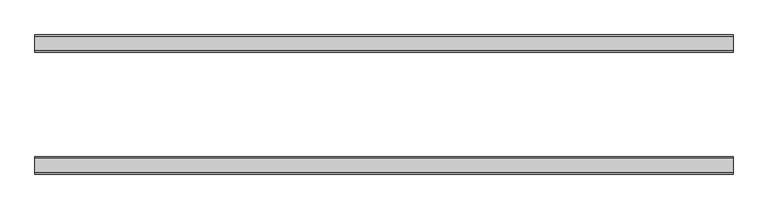
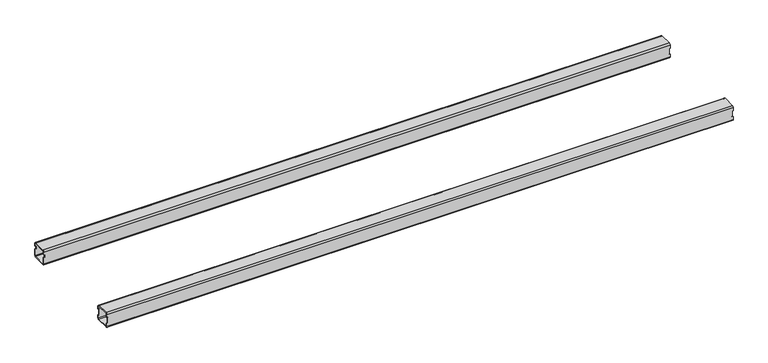
"""IFC4 building model written with IfcOpenShell, lengths in millimetres: furniture geometry."""

import ifcopenshell
import ifcopenshell.guid

model = None  # the IFC model being written
_history = None  # IfcOwnerHistory: only IFC2X3 demands one
_inside = {}  # id of a spatial element -> (the spatial element, [elements in it])
_under = {}  # id of a project, library or spatial element -> (it, [spatial elements below it])
_declared = {}  # id of a project -> (the project, [libraries it declares])
_typed = {}  # id of a type object -> (the type object, [elements of that type])
_made_of = {}  # id of a material, layer set ... -> (it, [elements and type objects made of it])


def new_model(schema):
    """Start an empty IFC model of exactly this schema.

    Asked for "IFC4X3", IfcOpenShell would pick the latest addendum, in which some entities
    have other attributes; the version numbers below select the first issue.
    IFC2X3 requires an IfcOwnerHistory on every rooted entity: one is made here for all.
    """
    global model, _history
    if schema == "IFC4X3":
        model = ifcopenshell.file(schema_version=(4, 3, 0, 0))
    else:
        model = ifcopenshell.file(schema=schema)
    _inside.clear()
    _under.clear()
    _declared.clear()
    _typed.clear()
    _made_of.clear()
    _history = None
    if model.schema == "IFC2X3":
        org = make("IfcOrganization", Name="unknown")
        user = make(
            "IfcPersonAndOrganization",
            ThePerson=make("IfcPerson", FamilyName="unknown"),
            TheOrganization=org,
        )
        app = make(
            "IfcApplication",
            ApplicationDeveloper=org,
            Version="unknown",
            ApplicationFullName="unknown",
            ApplicationIdentifier="unknown",
        )
        _history = make(
            "IfcOwnerHistory",
            OwningUser=user,
            OwningApplication=app,
            ChangeAction="ADDED",
            CreationDate=0,
        )
    return model


def make(cls, **values):
    """One entity of the class cls with the attributes given. An attribute that is None is left unset."""
    return model.create_entity(
        cls, **{name: value for name, value in values.items() if value is not None}
    )


def rooted(cls, **values):
    """An entity with a GlobalId (a new one), such as an element, a storey or a relation."""
    return make(cls, GlobalId=ifcopenshell.guid.new(), OwnerHistory=_history, **values)


def si_unit(unit_type, name, prefix=None):
    """IfcSIUnit, for example si_unit("LENGTHUNIT", "METRE", prefix="MILLI")."""
    return make("IfcSIUnit", UnitType=unit_type, Prefix=prefix, Name=name)


def assignment(units):
    """IfcUnitAssignment: the units of a project."""
    return None if units is None else make("IfcUnitAssignment", Units=units)


def point(xyz):
    """IfcCartesianPoint."""
    return None if xyz is None else make("IfcCartesianPoint", Coordinates=xyz)


def direction(xyz):
    """IfcDirection."""
    return None if xyz is None else make("IfcDirection", DirectionRatios=xyz)


def frame(location, z_axis=None, x_axis=None):
    """IfcAxis2Placement3D, a coordinate frame: its origin and axes. An axis left out is left unset."""
    return make(
        "IfcAxis2Placement3D",
        Location=point(location),
        Axis=direction(z_axis),
        RefDirection=direction(x_axis),
    )


def origin():
    """The frame at (0, 0, 0) with its axes left unset."""
    return frame((0.0, 0.0, 0.0))


def place(relative_to, where):
    """IfcLocalPlacement: puts the frame where relative to a parent placement (None: the world)."""
    return make(
        "IfcLocalPlacement", PlacementRelTo=relative_to, RelativePlacement=where
    )


def context(
    kind, dimensions, precision=None, world=None, true_north=None, identifier=None
):
    """IfcGeometricRepresentationContext, for example the 3D "Model" context."""
    return make(
        "IfcGeometricRepresentationContext",
        ContextIdentifier=identifier,
        ContextType=kind,
        CoordinateSpaceDimension=dimensions,
        Precision=precision,
        WorldCoordinateSystem=world,
        TrueNorth=true_north,
    )


def project(units=None, contexts=None):
    """IfcProject with its units and contexts."""
    return rooted(
        "IfcProject",
        Name="project",
        RepresentationContexts=contexts,
        UnitsInContext=assignment(units),
    )


def spatial(cls, under=None, at=None, **own):
    """A site, building, storey or space (cls), placed at a placement, below another one or the project."""
    s = rooted(cls, ObjectPlacement=at, **own)
    if under is not None:
        _under.setdefault(under.id(), (under, []))[1].append(s)
    return s


def polyline(points):
    """IfcPolyline through the points."""
    return make("IfcPolyline", Points=[point(p) for p in points])


def circle_curve(where, radius):
    """IfcCircle in the frame where."""
    return make("IfcCircle", Position=where, Radius=radius)


def shape(context_of_items, identifier, shape_type, items):
    """IfcShapeRepresentation: the items that make up one representation, for example the "Body"."""
    return make(
        "IfcShapeRepresentation",
        ContextOfItems=context_of_items,
        RepresentationIdentifier=identifier,
        RepresentationType=shape_type,
        Items=items,
    )


def source(mapping_origin, context_of_items, identifier, shape_type, items):
    """IfcRepresentationMap: a shape defined once, which mapped items show again and again."""
    return make(
        "IfcRepresentationMap",
        MappingOrigin=mapping_origin,
        MappedRepresentation=shape(context_of_items, identifier, shape_type, items),
    )


def transform(
    local_origin,
    x_axis=None,
    y_axis=None,
    z_axis=None,
    scale=None,
    scale2=None,
    scale3=None,
    uniform=True,
):
    """IfcCartesianTransformationOperator3D, or its non-uniform kind. x_axis, y_axis, z_axis: its Axis1, 2, 3."""
    if uniform:
        return make(
            "IfcCartesianTransformationOperator3D",
            Axis1=direction(x_axis),
            Axis2=direction(y_axis),
            LocalOrigin=point(local_origin),
            Scale=scale,
            Axis3=direction(z_axis),
        )
    return make(
        "IfcCartesianTransformationOperator3DnonUniform",
        Axis1=direction(x_axis),
        Axis2=direction(y_axis),
        LocalOrigin=point(local_origin),
        Scale=scale,
        Axis3=direction(z_axis),
        Scale2=scale2,
        Scale3=scale3,
    )


def mapped(mapping_source, mapping_target):
    """IfcMappedItem: shows the shape of a source again, moved by a transform."""
    return make(
        "IfcMappedItem", MappingSource=mapping_source, MappingTarget=mapping_target
    )


def made_of(thing, what):
    """Note that an element or type object is made of a material, layer set ...; save() writes the relation."""
    if what is not None:
        _made_of.setdefault(what.id(), (what, []))[1].append(thing)
    return thing


def element(
    cls,
    number,
    at=None,
    inside=None,
    cuts=None,
    type_object=None,
    material=None,
    context=None,
    identifier="Body",
    shape_type=None,
    held_by="IfcProductDefinitionShape",
    body=None,
    shapes=None,
    **own,
):
    """One element of the class cls, such as IfcWall. Its Tag is "e" and its number.

    at: its placement. inside: the storey or other place that contains it. cuts: it is an
    opening in that element (IfcRelVoidsElement). A single representation is given by context,
    identifier, shape_type and body (its items); several are given by shapes. held_by: the class
    of the entity that holds the representations. save() writes the other relations.
    """
    e = rooted(cls, Tag="e%d" % number, ObjectPlacement=at, **own)
    if body is not None:
        shapes = [shape(context, identifier, shape_type, body)]
    if shapes is not None:
        e.Representation = make(held_by, Representations=shapes)
    if inside is not None:
        _inside.setdefault(inside.id(), (inside, []))[1].append(e)
    if cuts is not None:
        rooted(
            "IfcRelVoidsElement", RelatingBuildingElement=cuts, RelatedOpeningElement=e
        )
    if type_object is not None:
        _typed.setdefault(type_object.id(), (type_object, []))[1].append(e)
    return made_of(e, material)


def aggregate(whole, parts):
    """IfcRelAggregates: a whole, such as a stair, and the parts it consists of."""
    return rooted("IfcRelAggregates", RelatingObject=whole, RelatedObjects=parts)


def save(model, path):
    """Write the relations noted so far, then the file.

    IfcRelAggregates (storeys below a building ...), IfcRelContainedInSpatialStructure (elements
    in a storey), IfcRelDefinesByType, IfcRelAssociatesMaterial and IfcRelDeclares: one each for
    every whole, place, type object, material and project.
    """
    for whole, parts in _under.values():
        aggregate(whole, parts)
    for where, things in _inside.values():
        rooted(
            "IfcRelContainedInSpatialStructure",
            RelatedElements=things,
            RelatingStructure=where,
        )
    for kind, things in _typed.values():
        rooted("IfcRelDefinesByType", RelatedObjects=things, RelatingType=kind)
    for what, things in _made_of.values():
        rooted("IfcRelAssociatesMaterial", RelatedObjects=things, RelatingMaterial=what)
    for by, libraries in _declared.values():
        rooted("IfcRelDeclares", RelatingContext=by, RelatedDefinitions=libraries)
    model.write(path)


def plane_surface(at):
    """IfcPlane: the flat surface through the origin of the frame at, square to its z axis."""
    return make("IfcPlane", Position=at)


def cylinder_surface(at, radius):
    """IfcCylindricalSurface: all points at the distance radius from the z axis of the frame at."""
    return make("IfcCylindricalSurface", Position=at, Radius=radius)


def revolved_surface(curve, axis_point, axis_direction):
    """IfcSurfaceOfRevolution: the curve turned about the line through axis_point along axis_direction."""
    return make(
        "IfcSurfaceOfRevolution",
        SweptCurve=make("IfcArbitraryOpenProfileDef", ProfileType="CURVE", Curve=curve),
        AxisPosition=make("IfcAxis1Placement", Location=point(axis_point), Axis=direction(axis_direction)),
    )


def advanced_brep(points, edges, surfaces, faces):
    """IfcAdvancedBrep: a solid bounded by faces that lie on surfaces and meet in shared edges.

    An edge is (start, end): straight between two places in points (the first is 0);
    or (start, end, curve); or (start, end, curve, False) where it runs against its curve.
    A face is (place in surfaces, loops), or (place, loops, False) where it looks against
    its surface's normal. A loop lists edges by number (the first is 1), with a minus sign
    where the edge is run from its end to its start. The first loop is the outer one.
    """
    corners = [point(p) for p in points]
    vertices = [make("IfcVertexPoint", VertexGeometry=c) for c in corners]
    made = []
    for start, end, *more in edges:
        made.append(
            make(
                "IfcEdgeCurve",
                EdgeStart=vertices[start],
                EdgeEnd=vertices[end],
                EdgeGeometry=more[0] if more else make("IfcPolyline", Points=[corners[start], corners[end]]),
                SameSense=more[1] if len(more) > 1 else True,
            )
        )
    hull = []
    for where, loops, *sense in faces:
        bounds = []
        for j, loop in enumerate(loops):
            ring = [make("IfcOrientedEdge", EdgeElement=made[abs(k) - 1], Orientation=k > 0) for k in loop]
            bounds.append(
                make(
                    "IfcFaceOuterBound" if j == 0 else "IfcFaceBound",
                    Bound=make("IfcEdgeLoop", EdgeList=ring),
                    Orientation=True,
                )
            )
        hull.append(make("IfcAdvancedFace", Bounds=bounds, FaceSurface=surfaces[where], SameSense=sense[0] if sense else True))
    return make("IfcAdvancedBrep", Outer=make("IfcClosedShell", CfsFaces=hull))


def furniture_18cb075c(model_context):
    return source(origin(), model_context, "Body", "AdvancedBrep", [
        advanced_brep(
        [(-2769.851278, -436.5, 675.576), (-2769.851278, -440.5, 671.576), (-2769.851278, -472.5, 671.576), (-2769.851278, -476.5, 675.576), (-2769.851278, -476.5, 683.076), (-2769.851278, -474.5, 683.076), (-2769.851278, -474.5, 675.576), (-2769.851278, -472.5, 673.576), (-2769.851278, -440.5, 673.576), (-2769.851278, -438.5, 675.576), (-2769.851278, -438.5, 683.076), (-2769.851278, -436.5, 683.076), (-2769.851278, -472.5, 711.2), (-2769.851278, -440.5, 711.2), (-2769.851278, -436.5, 707.2), (-2769.851278, -436.5, 699.7), (-2769.851278, -438.5, 699.7), (-2769.851278, -438.5, 707.2), (-2769.851278, -440.5, 709.2), (-2769.851278, -472.5, 709.2), (-2769.851278, -474.5, 707.2), (-2769.851278, -474.5, 699.7), (-2769.851278, -476.5, 699.7), (-2769.851278, -476.5, 707.2), (-1156.062278, -476.5, 675.576), (-1156.062278, -472.5, 671.576), (-1156.062278, -440.5, 671.576), (-1156.062278, -436.5, 675.576), (-1156.062278, -436.5, 683.076), (-1156.062278, -438.5, 683.076), (-1156.062278, -438.5, 675.576), (-1156.062278, -440.5, 673.576), (-1156.062278, -472.5, 673.576), (-1156.062278, -474.5, 675.576), (-1156.062278, -474.5, 683.076), (-1156.062278, -476.5, 683.076), (-1156.062278, -472.5, 711.2), (-1156.062278, -476.5, 707.2), (-1156.062278, -476.5, 699.7), (-1156.062278, -474.5, 699.7), (-1156.062278, -474.5, 707.2), (-1156.062278, -472.5, 709.2), (-1156.062278, -440.5, 709.2), (-1156.062278, -438.5, 707.2), (-1156.062278, -438.5, 699.7), (-1156.062278, -436.5, 699.7), (-1156.062278, -436.5, 707.2), (-1156.062278, -440.5, 711.2), (-1157.427278, -476.5, 683.076), (-1158.062278, -476.5, 683.711), (-1158.062278, -476.5, 699.065), (-1157.427278, -476.5, 699.7), (-2768.486278, -476.5, 699.7), (-2767.851278, -476.5, 699.065), (-2767.851278, -476.5, 683.711), (-2768.486278, -476.5, 683.076), (-1157.427278, -436.5, 699.7), (-1158.062278, -436.5, 699.065), (-1158.062278, -436.5, 683.711), (-1157.427278, -436.5, 683.076), (-2768.486278, -436.5, 683.076), (-2767.851278, -436.5, 683.711), (-2767.851278, -436.5, 699.065), (-2768.486278, -436.5, 699.7), (-1157.427278, -438.5, 683.076), (-1158.062278, -438.5, 683.711), (-1158.062278, -438.5, 699.065), (-1157.427278, -438.5, 699.7), (-2768.486278, -438.5, 699.7), (-2767.851278, -438.5, 699.065), (-2767.851278, -438.5, 683.711), (-2768.486278, -438.5, 683.076), (-1157.427278, -474.5, 699.7), (-1158.062278, -474.5, 699.065), (-1158.062278, -474.5, 683.711), (-1157.427278, -474.5, 683.076), (-2768.486278, -474.5, 683.076), (-2767.851278, -474.5, 683.711), (-2767.851278, -474.5, 699.065), (-2768.486278, -474.5, 699.7)],
        [
            (0, 1, circle_curve(frame((-2769.851278, -440.5, 675.576), z_axis=(-1.0, 0.0, 0.0), x_axis=(0.0, 1.0, 0.0)), 4.0)),
            (1, 2),
            (2, 3, circle_curve(frame((-2769.851278, -472.5, 675.576), z_axis=(-1.0, 0.0, 0.0), x_axis=(0.0, 1.0, 0.0)), 4.0)),
            (3, 4),
            (4, 5),
            (5, 6),
            (6, 7, circle_curve(frame((-2769.851278, -472.5, 675.576), z_axis=(1.0, 0.0, 0.0), x_axis=(0.0, 1.0, 0.0)), 2.0)),
            (7, 8),
            (8, 9, circle_curve(frame((-2769.851278, -440.5, 675.576), z_axis=(1.0, 0.0, 0.0), x_axis=(0.0, 1.0, 0.0)), 2.0)),
            (9, 10),
            (10, 11),
            (11, 0),
            (12, 13),
            (13, 14, circle_curve(frame((-2769.851278, -440.5, 707.2), z_axis=(-1.0, 0.0, 0.0), x_axis=(0.0, 1.0, 0.0)), 4.0)),
            (14, 15),
            (15, 16),
            (16, 17),
            (17, 18, circle_curve(frame((-2769.851278, -440.5, 707.2), z_axis=(1.0, 0.0, 0.0), x_axis=(0.0, 1.0, 0.0)), 2.0)),
            (18, 19),
            (19, 20, circle_curve(frame((-2769.851278, -472.5, 707.2), z_axis=(1.0, 0.0, 0.0), x_axis=(0.0, 1.0, 0.0)), 2.0)),
            (20, 21),
            (21, 22),
            (22, 23),
            (23, 12, circle_curve(frame((-2769.851278, -472.5, 707.2), z_axis=(-1.0, 0.0, 0.0), x_axis=(0.0, 1.0, 0.0)), 4.0)),
            (24, 25, circle_curve(frame((-1156.062278, -472.5, 675.576), z_axis=(1.0, 0.0, 0.0), x_axis=(0.0, 1.0, 0.0)), 4.0)),
            (25, 26),
            (26, 27, circle_curve(frame((-1156.062278, -440.5, 675.576), z_axis=(1.0, 0.0, 0.0), x_axis=(0.0, 1.0, 0.0)), 4.0)),
            (27, 28),
            (28, 29),
            (29, 30),
            (30, 31, circle_curve(frame((-1156.062278, -440.5, 675.576), z_axis=(-1.0, 0.0, 0.0), x_axis=(0.0, 1.0, 0.0)), 2.0)),
            (31, 32),
            (32, 33, circle_curve(frame((-1156.062278, -472.5, 675.576), z_axis=(-1.0, 0.0, 0.0), x_axis=(0.0, 1.0, 0.0)), 2.0)),
            (33, 34),
            (34, 35),
            (35, 24),
            (36, 37, circle_curve(frame((-1156.062278, -472.5, 707.2), z_axis=(1.0, 0.0, 0.0), x_axis=(0.0, 1.0, 0.0)), 4.0)),
            (37, 38),
            (38, 39),
            (39, 40),
            (40, 41, circle_curve(frame((-1156.062278, -472.5, 707.2), z_axis=(-1.0, 0.0, 0.0), x_axis=(0.0, 1.0, 0.0)), 2.0)),
            (41, 42),
            (42, 43, circle_curve(frame((-1156.062278, -440.5, 707.2), z_axis=(-1.0, 0.0, 0.0), x_axis=(0.0, 1.0, 0.0)), 2.0)),
            (43, 44),
            (44, 45),
            (45, 46),
            (46, 47, circle_curve(frame((-1156.062278, -440.5, 707.2), z_axis=(1.0, 0.0, 0.0), x_axis=(0.0, 1.0, 0.0)), 4.0)),
            (47, 36),
            (12, 36),
            (47, 13),
            (3, 24),
            (35, 48),
            (48, 49, circle_curve(frame((-1157.427278, -476.5, 683.711), z_axis=(0.0, 1.0, 0.0), x_axis=(0.0, 0.0, -1.0)), 0.635)),
            (49, 50),
            (50, 51, circle_curve(frame((-1157.427278, -476.5, 699.065), z_axis=(0.0, 1.0, 0.0), x_axis=(0.0, 0.0, -1.0)), 0.635)),
            (51, 38),
            (37, 23),
            (22, 52),
            (52, 53, circle_curve(frame((-2768.486278, -476.5, 699.065), z_axis=(0.0, 1.0, 0.0), x_axis=(0.0, 0.0, -1.0)), 0.635)),
            (53, 54),
            (54, 55, circle_curve(frame((-2768.486278, -476.5, 683.711), z_axis=(0.0, 1.0, 0.0), x_axis=(0.0, 0.0, -1.0)), 0.635)),
            (55, 4),
            (1, 26),
            (25, 2),
            (14, 46),
            (45, 56),
            (56, 57, circle_curve(frame((-1157.427278, -436.5, 699.065), z_axis=(0.0, -1.0, 0.0), x_axis=(0.0, 0.0, -1.0)), 0.635)),
            (57, 58),
            (58, 59, circle_curve(frame((-1157.427278, -436.5, 683.711), z_axis=(0.0, -1.0, 0.0), x_axis=(0.0, 0.0, -1.0)), 0.635)),
            (59, 28),
            (27, 0),
            (11, 60),
            (60, 61, circle_curve(frame((-2768.486278, -436.5, 683.711), z_axis=(0.0, -1.0, 0.0), x_axis=(0.0, 0.0, -1.0)), 0.635)),
            (61, 62),
            (62, 63, circle_curve(frame((-2768.486278, -436.5, 699.065), z_axis=(0.0, -1.0, 0.0), x_axis=(0.0, 0.0, -1.0)), 0.635)),
            (63, 15),
            (9, 30),
            (29, 64),
            (64, 65, circle_curve(frame((-1157.427278, -438.5, 683.711), z_axis=(0.0, 1.0, 0.0), x_axis=(0.0, 0.0, -1.0)), 0.635)),
            (65, 66),
            (66, 67, circle_curve(frame((-1157.427278, -438.5, 699.065), z_axis=(0.0, 1.0, 0.0), x_axis=(0.0, 0.0, -1.0)), 0.635)),
            (67, 44),
            (43, 17),
            (16, 68),
            (68, 69, circle_curve(frame((-2768.486278, -438.5, 699.065), z_axis=(0.0, 1.0, 0.0), x_axis=(0.0, 0.0, -1.0)), 0.635)),
            (69, 70),
            (70, 71, circle_curve(frame((-2768.486278, -438.5, 683.711), z_axis=(0.0, 1.0, 0.0), x_axis=(0.0, 0.0, -1.0)), 0.635)),
            (71, 10),
            (7, 32),
            (31, 8),
            (20, 40),
            (39, 72),
            (72, 73, circle_curve(frame((-1157.427278, -474.5, 699.065), z_axis=(0.0, -1.0, 0.0), x_axis=(0.0, 0.0, -1.0)), 0.635)),
            (73, 74),
            (74, 75, circle_curve(frame((-1157.427278, -474.5, 683.711), z_axis=(0.0, -1.0, 0.0), x_axis=(0.0, 0.0, -1.0)), 0.635)),
            (75, 34),
            (33, 6),
            (5, 76),
            (76, 77, circle_curve(frame((-2768.486278, -474.5, 683.711), z_axis=(0.0, -1.0, 0.0), x_axis=(0.0, 0.0, -1.0)), 0.635)),
            (77, 78),
            (78, 79, circle_curve(frame((-2768.486278, -474.5, 699.065), z_axis=(0.0, -1.0, 0.0), x_axis=(0.0, 0.0, -1.0)), 0.635)),
            (79, 21),
            (18, 42),
            (41, 19),
            (63, 68),
            (79, 52),
            (71, 60),
            (55, 76),
            (70, 61),
            (54, 77),
            (69, 62),
            (53, 78),
            (67, 56),
            (51, 72),
            (59, 64),
            (75, 48),
            (58, 65),
            (74, 49),
            (57, 66),
            (73, 50),
        ],
        [
            plane_surface(frame((-2769.851278, -440.5, 711.2), z_axis=(-1.0, 0.0, 0.0), x_axis=(0.0, 1.0, 0.0))),
            plane_surface(frame((-1156.062278, -440.5, 711.2), z_axis=(1.0, 0.0, 0.0), x_axis=(0.0, -1.0, 0.0))),
            plane_surface(frame((-2769.851278, -472.5, 711.2), z_axis=(0.0, 0.0, 1.0), x_axis=(1.0, 0.0, 0.0))),
            plane_surface(frame((-2769.851278, -476.5, 675.576), z_axis=(0.0, -1.0, -2.129420680589156e-12), x_axis=(1.0, 0.0, 0.0))),
            plane_surface(frame((-2769.851278, -440.5, 671.576), z_axis=(0.0, -1.8188783812477237e-12, -1.0), x_axis=(1.0, 0.0, 0.0))),
            plane_surface(frame((-2769.851278, -436.5, 707.2), z_axis=(0.0, 1.0, 0.0), x_axis=(1.0, 0.0, 0.0))),
            plane_surface(frame((-2769.851278, -438.5, 675.576), z_axis=(0.0, -1.0, 0.0), x_axis=(1.0, 0.0, 0.0))),
            plane_surface(frame((-2769.851278, -472.5, 673.576), z_axis=(0.0, 0.0, 1.0), x_axis=(1.0, 0.0, 0.0))),
            plane_surface(frame((-2769.851278, -474.5, 707.2), z_axis=(0.0, 1.0, 1.7955617598143294e-12), x_axis=(1.0, 0.0, 0.0))),
            plane_surface(frame((-2769.851278, -440.5, 709.2), z_axis=(0.0, -2.1192048116285935e-12, -1.0), x_axis=(1.0, 0.0, 0.0))),
            cylinder_surface(frame((-1156.062278, -472.5, 707.2), z_axis=(-1.0, 0.0, 0.0), x_axis=(0.0, 1.0, 0.0)), 4.0),
            cylinder_surface(frame((-1156.062278, -472.5, 675.576), z_axis=(-1.0, 0.0, 0.0), x_axis=(0.0, 1.0, 0.0)), 4.0),
            cylinder_surface(frame((-1156.062278, -440.5, 675.576), z_axis=(-1.0, 0.0, 0.0), x_axis=(0.0, 1.0, 0.0)), 4.0),
            cylinder_surface(frame((-1156.062278, -440.5, 707.2), z_axis=(-1.0, 0.0, 0.0), x_axis=(0.0, 1.0, 0.0)), 4.0),
            revolved_surface(polyline([(-1156.062278, -438.5, 707.2), (-2769.851278, -438.5, 707.2)]), (-1328.941356, -440.5, 707.2), (1.0, 0.0, 0.0)),
            revolved_surface(polyline([(-1156.062278, -438.5, 675.576), (-2769.851278, -438.5, 675.576)]), (-1328.941356, -440.5, 675.576), (1.0, 0.0, 0.0)),
            revolved_surface(polyline([(-1156.062278, -470.5, 675.576), (-2769.851278, -470.5, 675.576)]), (-1328.941356, -472.5, 675.576), (1.0, 0.0, 0.0)),
            revolved_surface(polyline([(-1156.062278, -470.5, 707.2), (-2769.851278, -470.5, 707.2)]), (-1328.941356, -472.5, 707.2), (1.0, 0.0, 0.0)),
            plane_surface(frame((-2768.486278, -476.5, 699.7), z_axis=(0.0, 0.0, -1.0), x_axis=(0.0, 1.0, 0.0))),
            plane_surface(frame((-2769.851278, -476.5, 683.076), z_axis=(0.0, 0.0, 1.0), x_axis=(0.0, 1.0, 0.0))),
            revolved_surface(polyline([(-2768.486278, -438.5, 683.076), (-2768.486278, -436.5, 683.076)]), (-2768.486278, -436.5, 683.711), (0.0, -1.0, 0.0)),
            revolved_surface(polyline([(-2768.486278, -476.5, 683.076), (-2768.486278, -474.5, 683.076)]), (-2768.486278, -436.5, 683.711), (0.0, -1.0, 0.0)),
            plane_surface(frame((-2767.851278, -476.5, 683.711), z_axis=(-1.0, 0.0, 3.2442287317277837e-12), x_axis=(0.0, 1.0, 0.0))),
            revolved_surface(polyline([(-2768.486278, -438.5, 698.4300000000001), (-2768.486278, -436.5, 698.4300000000001)]), (-2768.486278, -436.5, 699.065), (0.0, -1.0, 0.0)),
            revolved_surface(polyline([(-2768.486278, -476.5, 698.4300000000001), (-2768.486278, -474.5, 698.4300000000001)]), (-2768.486278, -436.5, 699.065), (0.0, -1.0, 0.0)),
            plane_surface(frame((-1156.062278, -476.5, 699.7), z_axis=(-1.150298415755112e-11, 0.0, -1.0), x_axis=(0.0, 1.0, 0.0))),
            plane_surface(frame((-1157.427278, -476.5, 683.076), z_axis=(6.951372323285398e-11, 0.0, 1.0), x_axis=(0.0, 1.0, 0.0))),
            revolved_surface(polyline([(-1157.427278, -438.5, 683.076), (-1157.427278, -436.5, 683.076)]), (-1157.427278, -436.5, 683.711), (0.0, -1.0, 0.0)),
            revolved_surface(polyline([(-1157.427278, -476.5, 683.076), (-1157.427278, -474.5, 683.076)]), (-1157.427278, -436.5, 683.711), (0.0, -1.0, 0.0)),
            plane_surface(frame((-1158.062278, -476.5, 699.065), z_axis=(1.0, 0.0, 0.0), x_axis=(0.0, 1.0, 0.0))),
            revolved_surface(polyline([(-1157.427278, -438.5, 698.4300000000001), (-1157.427278, -436.5, 698.4300000000001)]), (-1157.427278, -436.5, 699.065), (0.0, -1.0, 0.0)),
            revolved_surface(polyline([(-1157.427278, -476.5, 698.4300000000001), (-1157.427278, -474.5, 698.4300000000001)]), (-1157.427278, -436.5, 699.065), (0.0, -1.0, 0.0)),
        ],
        [
            (0, [[1, 2, 3, 4, 5, 6, 7, 8, 9, 10, 11, 12]]),
            (0, [[13, 14, 15, 16, 17, 18, 19, 20, 21, 22, 23, 24]]),
            (1, [[25, 26, 27, 28, 29, 30, 31, 32, 33, 34, 35, 36]]),
            (1, [[37, 38, 39, 40, 41, 42, 43, 44, 45, 46, 47, 48]]),
            (2, [[-13, 49, -48, 50]]),
            (3, [[51, -36, 52, 53, 54, 55, 56, -38, 57, -23, 58, 59, 60, 61, 62, -4]]),
            (4, [[-2, 63, -26, 64]]),
            (5, [[65, -46, 66, 67, 68, 69, 70, -28, 71, -12, 72, 73, 74, 75, 76, -15]]),
            (6, [[77, -30, 78, 79, 80, 81, 82, -44, 83, -17, 84, 85, 86, 87, 88, -10]]),
            (7, [[-8, 89, -32, 90]]),
            (8, [[91, -40, 92, 93, 94, 95, 96, -34, 97, -6, 98, 99, 100, 101, 102, -21]]),
            (9, [[-19, 103, -42, 104]]),
            (10, [[-24, -57, -37, -49]]),
            (11, [[-3, -64, -25, -51]]),
            (12, [[-1, -71, -27, -63]]),
            (13, [[-14, -50, -47, -65]]),
            (14, [[-18, -83, -43, -103]]),
            (15, [[-9, -90, -31, -77]]),
            (16, [[-7, -97, -33, -89]]),
            (17, [[-20, -104, -41, -91]]),
            (18, [[105, -84, -16, -76]]),
            (18, [[106, -58, -22, -102]]),
            (19, [[107, -72, -11, -88]]),
            (19, [[108, -98, -5, -62]]),
            (20, [[-107, -87, 109, -73]]),
            (21, [[-108, -61, 110, -99]]),
            (22, [[-109, -86, 111, -74]]),
            (22, [[-110, -60, 112, -100]]),
            (23, [[-105, -75, -111, -85]]),
            (24, [[-106, -101, -112, -59]]),
            (25, [[113, -66, -45, -82]]),
            (25, [[114, -92, -39, -56]]),
            (26, [[115, -78, -29, -70]]),
            (26, [[116, -52, -35, -96]]),
            (27, [[-115, -69, 117, -79]]),
            (28, [[-116, -95, 118, -53]]),
            (29, [[-117, -68, 119, -80]]),
            (29, [[-118, -94, 120, -54]]),
            (30, [[-119, -67, -113, -81]]),
            (31, [[-120, -93, -114, -55]]),
        ],
    ),
        advanced_brep(
        [(-2769.851278, -155.0, 675.576), (-2769.851278, -159.0, 671.576), (-2769.851278, -191.0, 671.576), (-2769.851278, -195.0, 675.576), (-2769.851278, -195.0, 692.7), (-2769.851278, -193.0, 692.7), (-2769.851278, -193.0, 675.576), (-2769.851278, -191.0, 673.576), (-2769.851278, -159.0, 673.576), (-2769.851278, -157.0, 675.576), (-2769.851278, -157.0, 692.7), (-2769.851278, -155.0, 692.7), (-2769.851278, -159.0, 711.2), (-2769.851278, -155.0, 707.2), (-2769.851278, -155.0, 699.7), (-2769.851278, -157.0, 699.7), (-2769.851278, -157.0, 707.2), (-2769.851278, -159.0, 709.2), (-2769.851278, -191.0, 709.2), (-2769.851278, -193.0, 707.2), (-2769.851278, -193.0, 699.7), (-2769.851278, -195.0, 699.7), (-2769.851278, -195.0, 707.2), (-2769.851278, -191.0, 711.2), (-1156.062278, -195.0, 675.576), (-1156.062278, -191.0, 671.576), (-1156.062278, -159.0, 671.576), (-1156.062278, -155.0, 675.576), (-1156.062278, -155.0, 683.076), (-1156.062278, -157.0, 683.076), (-1156.062278, -157.0, 675.576), (-1156.062278, -159.0, 673.576), (-1156.062278, -191.0, 673.576), (-1156.062278, -193.0, 675.576), (-1156.062278, -193.0, 683.076), (-1156.062278, -195.0, 683.076), (-1156.062278, -159.0, 711.2), (-1156.062278, -191.0, 711.2), (-1156.062278, -195.0, 707.2), (-1156.062278, -195.0, 699.7), (-1156.062278, -193.0, 699.7), (-1156.062278, -193.0, 707.2), (-1156.062278, -191.0, 709.2), (-1156.062278, -159.0, 709.2), (-1156.062278, -157.0, 707.2), (-1156.062278, -157.0, 699.7), (-1156.062278, -155.0, 699.7), (-1156.062278, -155.0, 707.2), (-1157.427278, -155.0, 699.7), (-1158.062278, -155.0, 699.065), (-1158.062278, -155.0, 683.711), (-1157.427278, -155.0, 683.076), (-2768.486278, -155.0, 692.7), (-2767.851278, -155.0, 693.335), (-2767.851278, -155.0, 699.065), (-2768.486278, -155.0, 699.7), (-1157.427278, -195.0, 683.076), (-1158.062278, -195.0, 683.711), (-1158.062278, -195.0, 699.065), (-1157.427278, -195.0, 699.7), (-2768.486278, -195.0, 699.7), (-2767.851278, -195.0, 699.065), (-2767.851278, -195.0, 693.335), (-2768.486278, -195.0, 692.7), (-1157.427278, -193.0, 699.7), (-1158.062278, -193.0, 699.065), (-1158.062278, -193.0, 683.711), (-1157.427278, -193.0, 683.076), (-2768.486278, -193.0, 692.7), (-2767.851278, -193.0, 693.335), (-2767.851278, -193.0, 699.065), (-2768.486278, -193.0, 699.7), (-1157.427278, -157.0, 683.076), (-1158.062278, -157.0, 683.711), (-1158.062278, -157.0, 699.065), (-1157.427278, -157.0, 699.7), (-2768.486278, -157.0, 699.7), (-2767.851278, -157.0, 699.065), (-2767.851278, -157.0, 693.335), (-2768.486278, -157.0, 692.7)],
        [
            (0, 1, circle_curve(frame((-2769.851278, -159.0, 675.576), z_axis=(-1.0, 0.0, 0.0), x_axis=(0.0, -1.0, 0.0)), 4.0)),
            (1, 2),
            (2, 3, circle_curve(frame((-2769.851278, -191.0, 675.576), z_axis=(-1.0, 0.0, 0.0), x_axis=(0.0, -1.0, 0.0)), 4.0)),
            (3, 4),
            (4, 5),
            (5, 6),
            (6, 7, circle_curve(frame((-2769.851278, -191.0, 675.576), z_axis=(1.0, 0.0, 0.0), x_axis=(0.0, -1.0, 0.0)), 2.0)),
            (7, 8),
            (8, 9, circle_curve(frame((-2769.851278, -159.0, 675.576), z_axis=(1.0, 0.0, 0.0), x_axis=(0.0, -1.0, 0.0)), 2.0)),
            (9, 10),
            (10, 11),
            (11, 0),
            (12, 13, circle_curve(frame((-2769.851278, -159.0, 707.2), z_axis=(-1.0, 0.0, 0.0), x_axis=(0.0, -1.0, 0.0)), 4.0)),
            (13, 14),
            (14, 15),
            (15, 16),
            (16, 17, circle_curve(frame((-2769.851278, -159.0, 707.2), z_axis=(1.0, 0.0, 0.0), x_axis=(0.0, -1.0, 0.0)), 2.0)),
            (17, 18),
            (18, 19, circle_curve(frame((-2769.851278, -191.0, 707.2), z_axis=(1.0, 0.0, 0.0), x_axis=(0.0, -1.0, 0.0)), 2.0)),
            (19, 20),
            (20, 21),
            (21, 22),
            (22, 23, circle_curve(frame((-2769.851278, -191.0, 707.2), z_axis=(-1.0, 0.0, 0.0), x_axis=(0.0, -1.0, 0.0)), 4.0)),
            (23, 12),
            (24, 25, circle_curve(frame((-1156.062278, -191.0, 675.576), z_axis=(1.0, 0.0, 0.0), x_axis=(0.0, -1.0, 0.0)), 4.0)),
            (25, 26),
            (26, 27, circle_curve(frame((-1156.062278, -159.0, 675.576), z_axis=(1.0, 0.0, 0.0), x_axis=(0.0, -1.0, 0.0)), 4.0)),
            (27, 28),
            (28, 29),
            (29, 30),
            (30, 31, circle_curve(frame((-1156.062278, -159.0, 675.576), z_axis=(-1.0, 0.0, 0.0), x_axis=(0.0, -1.0, 0.0)), 2.0)),
            (31, 32),
            (32, 33, circle_curve(frame((-1156.062278, -191.0, 675.576), z_axis=(-1.0, 0.0, 0.0), x_axis=(0.0, -1.0, 0.0)), 2.0)),
            (33, 34),
            (34, 35),
            (35, 24),
            (36, 37),
            (37, 38, circle_curve(frame((-1156.062278, -191.0, 707.2), z_axis=(1.0, 0.0, 0.0), x_axis=(0.0, -1.0, 0.0)), 4.0)),
            (38, 39),
            (39, 40),
            (40, 41),
            (41, 42, circle_curve(frame((-1156.062278, -191.0, 707.2), z_axis=(-1.0, 0.0, 0.0), x_axis=(0.0, -1.0, 0.0)), 2.0)),
            (42, 43),
            (43, 44, circle_curve(frame((-1156.062278, -159.0, 707.2), z_axis=(-1.0, 0.0, 0.0), x_axis=(0.0, -1.0, 0.0)), 2.0)),
            (44, 45),
            (45, 46),
            (46, 47),
            (47, 36, circle_curve(frame((-1156.062278, -159.0, 707.2), z_axis=(1.0, 0.0, 0.0), x_axis=(0.0, -1.0, 0.0)), 4.0)),
            (23, 37),
            (36, 12),
            (13, 47),
            (46, 48),
            (48, 49, circle_curve(frame((-1157.427278, -155.0, 699.065), z_axis=(0.0, -1.0, 0.0), x_axis=(0.0, 0.0, -1.0)), 0.635)),
            (49, 50),
            (50, 51, circle_curve(frame((-1157.427278, -155.0, 683.711), z_axis=(0.0, -1.0, 0.0), x_axis=(0.0, 0.0, -1.0)), 0.635)),
            (51, 28),
            (27, 0),
            (11, 52),
            (52, 53, circle_curve(frame((-2768.486278, -155.0, 693.335), z_axis=(0.0, -1.0, 0.0), x_axis=(0.0, 0.0, -1.0)), 0.635)),
            (53, 54),
            (54, 55, circle_curve(frame((-2768.486278, -155.0, 699.065), z_axis=(0.0, -1.0, 0.0), x_axis=(0.0, 0.0, -1.0)), 0.635)),
            (55, 14),
            (1, 26),
            (25, 2),
            (3, 24),
            (35, 56),
            (56, 57, circle_curve(frame((-1157.427278, -195.0, 683.711), z_axis=(0.0, 1.0, 0.0), x_axis=(0.0, 0.0, -1.0)), 0.635)),
            (57, 58),
            (58, 59, circle_curve(frame((-1157.427278, -195.0, 699.065), z_axis=(0.0, 1.0, 0.0), x_axis=(0.0, 0.0, -1.0)), 0.635)),
            (59, 39),
            (38, 22),
            (21, 60),
            (60, 61, circle_curve(frame((-2768.486278, -195.0, 699.065), z_axis=(0.0, 1.0, 0.0), x_axis=(0.0, 0.0, -1.0)), 0.635)),
            (61, 62),
            (62, 63, circle_curve(frame((-2768.486278, -195.0, 693.335), z_axis=(0.0, 1.0, 0.0), x_axis=(0.0, 0.0, -1.0)), 0.635)),
            (63, 4),
            (19, 41),
            (40, 64),
            (64, 65, circle_curve(frame((-1157.427278, -193.0, 699.065), z_axis=(0.0, -1.0, 0.0), x_axis=(0.0, 0.0, -1.0)), 0.635)),
            (65, 66),
            (66, 67, circle_curve(frame((-1157.427278, -193.0, 683.711), z_axis=(0.0, -1.0, 0.0), x_axis=(0.0, 0.0, -1.0)), 0.635)),
            (67, 34),
            (33, 6),
            (5, 68),
            (68, 69, circle_curve(frame((-2768.486278, -193.0, 693.335), z_axis=(0.0, -1.0, 0.0), x_axis=(0.0, 0.0, -1.0)), 0.635)),
            (69, 70),
            (70, 71, circle_curve(frame((-2768.486278, -193.0, 699.065), z_axis=(0.0, -1.0, 0.0), x_axis=(0.0, 0.0, -1.0)), 0.635)),
            (71, 20),
            (7, 32),
            (31, 8),
            (9, 30),
            (29, 72),
            (72, 73, circle_curve(frame((-1157.427278, -157.0, 683.711), z_axis=(0.0, 1.0, 0.0), x_axis=(0.0, 0.0, -1.0)), 0.635)),
            (73, 74),
            (74, 75, circle_curve(frame((-1157.427278, -157.0, 699.065), z_axis=(0.0, 1.0, 0.0), x_axis=(0.0, 0.0, -1.0)), 0.635)),
            (75, 45),
            (44, 16),
            (15, 76),
            (76, 77, circle_curve(frame((-2768.486278, -157.0, 699.065), z_axis=(0.0, 1.0, 0.0), x_axis=(0.0, 0.0, -1.0)), 0.635)),
            (77, 78),
            (78, 79, circle_curve(frame((-2768.486278, -157.0, 693.335), z_axis=(0.0, 1.0, 0.0), x_axis=(0.0, 0.0, -1.0)), 0.635)),
            (79, 10),
            (17, 43),
            (42, 18),
            (59, 64),
            (75, 48),
            (67, 56),
            (51, 72),
            (66, 57),
            (50, 73),
            (65, 58),
            (49, 74),
            (71, 60),
            (55, 76),
            (63, 68),
            (79, 52),
            (62, 69),
            (78, 53),
            (61, 70),
            (77, 54),
        ],
        [
            plane_surface(frame((-2769.851278, -163.0, 707.2), z_axis=(-1.0, 0.0, 0.0), x_axis=(0.0, 0.0, 1.0))),
            plane_surface(frame((-1156.062278, -163.0, 707.2), z_axis=(1.0, 0.0, 0.0), x_axis=(0.0, 0.0, -1.0))),
            plane_surface(frame((-2769.851278, -191.0, 711.2), z_axis=(0.0, 0.0, 1.0), x_axis=(1.0, 0.0, 0.0))),
            plane_surface(frame((-2769.851278, -155.0, 707.2), z_axis=(0.0, 1.0, 0.0), x_axis=(1.0, 0.0, 0.0))),
            plane_surface(frame((-2769.851278, -159.0, 671.576), z_axis=(0.0, 0.0, -1.0), x_axis=(1.0, 0.0, 0.0))),
            plane_surface(frame((-2769.851278, -195.0, 675.576), z_axis=(0.0, -1.0, -5.217615697799246e-12), x_axis=(1.0, 0.0, 0.0))),
            plane_surface(frame((-2769.851278, -193.0, 707.2), z_axis=(0.0, 1.0, 0.0), x_axis=(1.0, 0.0, 0.0))),
            plane_surface(frame((-2769.851278, -191.0, 673.576), z_axis=(0.0, 5.194378260880819e-12, 1.0), x_axis=(1.0, 0.0, 0.0))),
            plane_surface(frame((-2769.851278, -157.0, 675.576), z_axis=(0.0, -1.0, 0.0), x_axis=(1.0, 0.0, 0.0))),
            plane_surface(frame((-2769.851278, -159.0, 709.2), z_axis=(0.0, 0.0, -1.0), x_axis=(1.0, 0.0, 0.0))),
            cylinder_surface(frame((-1156.062278, -191.0, 707.2), z_axis=(-1.0, 0.0, 0.0), x_axis=(0.0, -1.0, 0.0)), 4.0),
            cylinder_surface(frame((-1156.062278, -191.0, 675.576), z_axis=(-1.0, 0.0, 0.0), x_axis=(0.0, -1.0, 0.0)), 4.0),
            cylinder_surface(frame((-1156.062278, -159.0, 675.576), z_axis=(-1.0, 0.0, 0.0), x_axis=(0.0, -1.0, 0.0)), 4.0),
            cylinder_surface(frame((-1156.062278, -159.0, 707.2), z_axis=(-1.0, 0.0, 0.0), x_axis=(0.0, -1.0, 0.0)), 4.0),
            revolved_surface(polyline([(-1156.062278, -161.0, 707.2), (-2769.851278, -161.0, 707.2)]), (-1328.941356, -159.0, 707.2), (1.0, 0.0, 0.0)),
            revolved_surface(polyline([(-1156.062278, -161.0, 675.576), (-2769.851278, -161.0, 675.576)]), (-1328.941356, -159.0, 675.576), (1.0, 0.0, 0.0)),
            revolved_surface(polyline([(-1156.062278, -193.0, 675.576), (-2769.851278, -193.0, 675.576)]), (-1328.941356, -191.0, 675.576), (1.0, 0.0, 0.0)),
            revolved_surface(polyline([(-1156.062278, -193.0, 707.2), (-2769.851278, -193.0, 707.2)]), (-1328.941356, -191.0, 707.2), (1.0, 0.0, 0.0)),
            plane_surface(frame((-1157.427278, -155.0, 699.7), z_axis=(-1.4279566540389879e-11, 0.0, -1.0), x_axis=(0.0, -1.0, 0.0))),
            plane_surface(frame((-1156.062278, -155.0, 683.076), z_axis=(6.217561264872053e-11, 0.0, 1.0), x_axis=(0.0, -1.0, 0.0))),
            revolved_surface(polyline([(-1157.427278, -193.0, 683.076), (-1157.427278, -195.0, 683.076)]), (-1157.427278, -195.0, 683.711), (0.0, 1.0, 0.0)),
            revolved_surface(polyline([(-1157.427278, -155.0, 683.076), (-1157.427278, -157.0, 683.076)]), (-1157.427278, -195.0, 683.711), (0.0, 1.0, 0.0)),
            plane_surface(frame((-1158.062278, -155.0, 683.711), z_axis=(1.0, 0.0, 0.0), x_axis=(0.0, -1.0, 0.0))),
            revolved_surface(polyline([(-1157.427278, -193.0, 698.4300000000001), (-1157.427278, -195.0, 698.4300000000001)]), (-1157.427278, -195.0, 699.065), (0.0, 1.0, 0.0)),
            revolved_surface(polyline([(-1157.427278, -155.0, 698.4300000000001), (-1157.427278, -157.0, 698.4300000000001)]), (-1157.427278, -195.0, 699.065), (0.0, 1.0, 0.0)),
            plane_surface(frame((-2769.851278, -155.0, 699.7), z_axis=(0.0, 0.0, -1.0), x_axis=(0.0, -1.0, 0.0))),
            plane_surface(frame((-2768.486278, -155.0, 692.7), z_axis=(0.0, 0.0, 1.0), x_axis=(0.0, -1.0, 0.0))),
            revolved_surface(polyline([(-2768.486278, -193.0, 692.7), (-2768.486278, -195.0, 692.7)]), (-2768.486278, -195.0, 693.335), (0.0, 1.0, 0.0)),
            revolved_surface(polyline([(-2768.486278, -155.0, 692.7), (-2768.486278, -157.0, 692.7)]), (-2768.486278, -195.0, 693.335), (0.0, 1.0, 0.0)),
            plane_surface(frame((-2767.851278, -155.0, 699.065), z_axis=(-1.0, 0.0, 0.0), x_axis=(0.0, -1.0, 0.0))),
            revolved_surface(polyline([(-2768.486278, -193.0, 698.4300000000001), (-2768.486278, -195.0, 698.4300000000001)]), (-2768.486278, -195.0, 699.065), (0.0, 1.0, 0.0)),
            revolved_surface(polyline([(-2768.486278, -155.0, 698.4300000000001), (-2768.486278, -157.0, 698.4300000000001)]), (-2768.486278, -195.0, 699.065), (0.0, 1.0, 0.0)),
        ],
        [
            (0, [[1, 2, 3, 4, 5, 6, 7, 8, 9, 10, 11, 12]]),
            (0, [[13, 14, 15, 16, 17, 18, 19, 20, 21, 22, 23, 24]]),
            (1, [[25, 26, 27, 28, 29, 30, 31, 32, 33, 34, 35, 36]]),
            (1, [[37, 38, 39, 40, 41, 42, 43, 44, 45, 46, 47, 48]]),
            (2, [[-24, 49, -37, 50]]),
            (3, [[51, -47, 52, 53, 54, 55, 56, -28, 57, -12, 58, 59, 60, 61, 62, -14]]),
            (4, [[-2, 63, -26, 64]]),
            (5, [[65, -36, 66, 67, 68, 69, 70, -39, 71, -22, 72, 73, 74, 75, 76, -4]]),
            (6, [[77, -41, 78, 79, 80, 81, 82, -34, 83, -6, 84, 85, 86, 87, 88, -20]]),
            (7, [[-8, 89, -32, 90]]),
            (8, [[91, -30, 92, 93, 94, 95, 96, -45, 97, -16, 98, 99, 100, 101, 102, -10]]),
            (9, [[-18, 103, -43, 104]]),
            (10, [[-23, -71, -38, -49]]),
            (11, [[-3, -64, -25, -65]]),
            (12, [[-1, -57, -27, -63]]),
            (13, [[-13, -50, -48, -51]]),
            (14, [[-17, -97, -44, -103]]),
            (15, [[-9, -90, -31, -91]]),
            (16, [[-7, -83, -33, -89]]),
            (17, [[-19, -104, -42, -77]]),
            (18, [[105, -78, -40, -70]]),
            (18, [[106, -52, -46, -96]]),
            (19, [[107, -66, -35, -82]]),
            (19, [[108, -92, -29, -56]]),
            (20, [[-107, -81, 109, -67]]),
            (21, [[-108, -55, 110, -93]]),
            (22, [[-109, -80, 111, -68]]),
            (22, [[-110, -54, 112, -94]]),
            (23, [[-105, -69, -111, -79]]),
            (24, [[-106, -95, -112, -53]]),
            (25, [[113, -72, -21, -88]]),
            (25, [[114, -98, -15, -62]]),
            (26, [[115, -84, -5, -76]]),
            (26, [[116, -58, -11, -102]]),
            (27, [[-115, -75, 117, -85]]),
            (28, [[-116, -101, 118, -59]]),
            (29, [[-117, -74, 119, -86]]),
            (29, [[-118, -100, 120, -60]]),
            (30, [[-119, -73, -113, -87]]),
            (31, [[-120, -99, -114, -61]]),
        ],
    ),
    ])


if __name__ == "__main__":
    model = new_model("IFC4")
    model_context = context("Model", 3, world=origin())
    ifc_project = project(units=[si_unit("LENGTHUNIT", "METRE", prefix="MILLI")], contexts=[model_context])
    site = spatial("IfcSite", under=ifc_project)
    building = spatial("IfcBuilding", under=site)
    placement = place(None, origin())
    furniture_shape = furniture_18cb075c(model_context)
    element("IfcFurniture", 1, at=placement, inside=building, context=model_context, shape_type="MappedRepresentation", body=[
        mapped(furniture_shape, transform((0.0, 0.0, 0.0), x_axis=(1.0, 0.0, 0.0), y_axis=(0.0, 1.0, 0.0), z_axis=(0.0, 0.0, 1.0))),
    ])
    save(model, "model.ifc")
